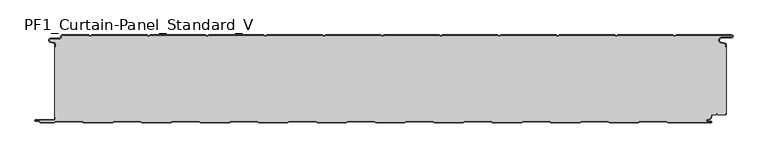
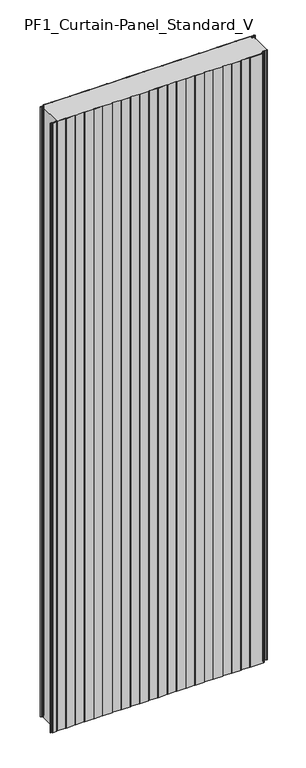
"""IFC4 building model written with IfcOpenShell, lengths in millimetres: plate geometry, PF1_Curtain-Panel_Standard_V."""

from ifc_helpers import new_model, si_unit, point, frame_2d, origin, origin_with_axes, place, context, project, spatial, polyline, circle_curve, trimmed, segment, composite_curve, outline, extrude, source, transform, mapped, element, save


def pf1_curtain_panel_standard_v_82b52420(model_context):
    return source(origin(), model_context, "Body", "SweptSolid", [
        extrude(outline(composite_curve([segment(trimmed(circle_curve(frame_2d((-577.0, -15.878557)), 2.0), [point((-575.0, -15.878557))], [point((-576.5500978, -13.9298169))], True, "CARTESIAN"), True, "CONTINUOUS"), segment(polyline([(-576.5500978, -13.9298169), (-582.7098239, -12.507732)]), True, "CONTINUOUS"), segment(trimmed(circle_curve(frame_2d((-581.9, -9.0)), 3.6), [point((-582.7098239, -12.507732))], [point((-581.9, -5.4))], False, "CARTESIAN"), True, "CONTINUOUS"), segment(polyline([(-581.9, -5.4), (-566.4, -5.4)]), True, "CONTINUOUS"), segment(trimmed(circle_curve(frame_2d((-566.4, -3.4)), 2.0), [point((-566.4, -5.4))], [point((-564.4, -3.4))], True, "CARTESIAN"), True, "CONTINUOUS"), segment(polyline([(-564.4, -3.4), (-564.4, -2.0)]), True, "CONTINUOUS"), segment(trimmed(circle_curve(frame_2d((-562.4, -2.0)), 2.0), [point((-564.4, -2.0))], [point((-562.4, 0.0))], False, "CARTESIAN"), True, "CONTINUOUS"), segment(polyline([(-562.4, 0.0), (-517.0999995, 0.0), (-514.4, -1.5588455), (-511.7000005, 0.0), (-417.0999995, 0.0), (-414.4, -1.5588455), (-411.7000005, 0.0), (-317.0999995, 0.0), (-314.4, -1.5588455), (-311.7000005, 0.0), (-217.0999995, 0.0), (-214.4, -1.5588455), (-211.7000005, 0.0), (-117.0999995, 0.0), (-114.4, -1.5588455), (-111.7000005, 0.0), (-17.0999995, 0.0), (-14.4, -1.5588455), (-11.7000005, 0.0), (82.9000005, 0.0), (85.6, -1.5588455), (88.2999995, 0.0), (182.9000005, 0.0), (185.6, -1.5588455), (188.2999995, 0.0), (282.9000005, 0.0), (285.6, -1.5588455), (288.2999995, 0.0), (382.9000005, 0.0), (385.6, -1.5588455), (388.2999995, 0.0), (482.9000005, 0.0), (485.6, -1.5588455), (488.2999995, 0.0), (583.268846, 0.0)]), True, "CONTINUOUS"), segment(trimmed(circle_curve(frame_2d((583.268846, -2.5)), 2.5), [point((583.268846, 0.0))], [point((583.268846, -5.0))], False, "CARTESIAN"), True, "CONTINUOUS"), segment(polyline([(583.268846, -5.0), (566.268846, -5.0)]), True, "CONTINUOUS"), segment(trimmed(circle_curve(frame_2d((566.268846, -9.0)), 4.0), [point((566.268846, -5.0))], [point((565.574253, -12.939231))], True, "CARTESIAN"), True, "CONTINUOUS"), segment(polyline([(565.574253, -12.939231), (572.0203315, -14.0758491)]), True, "CONTINUOUS"), segment(trimmed(circle_curve(frame_2d((571.568846, -16.6363492)), 2.6), [point((572.0203315, -14.0758491))], [point((574.168846, -16.6363492))], False, "CARTESIAN"), True, "CONTINUOUS"), segment(polyline([(574.168846, -16.6363492), (574.168846, -20.0), (573.368846, -20.0), (573.368846, -16.6363492)]), True, "CONTINUOUS"), segment(trimmed(circle_curve(frame_2d((571.568846, -16.6363492)), 1.8), [point((573.368846, -16.6363492))], [point((571.8814129, -14.8636953))], True, "CARTESIAN"), True, "CONTINUOUS"), segment(polyline([(571.8814129, -14.8636953), (565.4353344, -13.7270772)]), True, "CONTINUOUS"), segment(trimmed(circle_curve(frame_2d((566.268846, -9.0)), 4.8), [point((565.4353344, -13.7270772))], [point((566.268846, -4.2))], False, "CARTESIAN"), True, "CONTINUOUS"), segment(polyline([(566.268846, -4.2), (583.268846, -4.2)]), True, "CONTINUOUS"), segment(trimmed(circle_curve(frame_2d((583.268846, -2.5)), 1.7), [point((583.268846, -4.2))], [point((583.268846, -0.8))], True, "CARTESIAN"), True, "CONTINUOUS"), segment(polyline([(583.268846, -0.8), (488.5143588, -0.8), (485.6, -2.482606), (482.6856412, -0.8), (388.5143588, -0.8), (385.6, -2.482606), (382.6856412, -0.8), (288.5143588, -0.8), (285.6, -2.482606), (282.6856412, -0.8), (188.5143588, -0.8), (185.6, -2.482606), (182.6856412, -0.8), (88.5143588, -0.8), (85.6, -2.482606), (82.6856412, -0.8), (-11.4856412, -0.8), (-14.4, -2.482606), (-17.3143588, -0.8), (-111.4856412, -0.8), (-114.4, -2.482606), (-117.3143588, -0.8), (-211.4856412, -0.8), (-214.4, -2.482606), (-217.3143588, -0.8), (-311.4856412, -0.8), (-314.4, -2.482606), (-317.3143588, -0.8), (-411.4856412, -0.8), (-414.4, -2.482606), (-417.3143588, -0.8), (-511.4856412, -0.8), (-514.4, -2.482606), (-517.3143588, -0.8), (-562.4, -0.8)]), True, "CONTINUOUS"), segment(trimmed(circle_curve(frame_2d((-562.4, -2.0)), 1.2), [point((-562.4, -0.8))], [point((-563.6, -2.0))], True, "CARTESIAN"), True, "CONTINUOUS"), segment(polyline([(-563.6, -2.0), (-563.6, -3.4)]), True, "CONTINUOUS"), segment(trimmed(circle_curve(frame_2d((-566.4, -3.4)), 2.8), [point((-563.6, -3.4))], [point((-566.4, -6.2))], False, "CARTESIAN"), True, "CONTINUOUS"), segment(polyline([(-566.4, -6.2), (-581.9, -6.2)]), True, "CONTINUOUS"), segment(trimmed(circle_curve(frame_2d((-581.9, -9.0)), 2.8), [point((-581.9, -6.2))], [point((-582.529863, -11.7282362))], True, "CARTESIAN"), True, "CONTINUOUS"), segment(polyline([(-582.529863, -11.7282362), (-576.370137, -13.150321)]), True, "CONTINUOUS"), segment(trimmed(circle_curve(frame_2d((-577.0, -15.878557)), 2.8), [point((-576.370137, -13.150321))], [point((-574.2, -15.878557))], False, "CARTESIAN"), True, "CONTINUOUS"), segment(polyline([(-574.2, -15.878557), (-574.2, -20.0), (-575.0, -20.0), (-575.0, -15.878557)]), True, "CONTINUOUS")], self_intersect=False)), origin_with_axes(), (0.0, 0.0, 1.0), 3500.0),
        extrude(outline(composite_curve([segment(polyline([(-574.2, -140.0), (-575.0, -140.0), (-575.0, -20.0), (-574.2, -20.0), (-574.2, -15.878557)]), True, "CONTINUOUS"), segment(trimmed(circle_curve(frame_2d((-577.0, -15.878557)), 2.8), [point((-574.2, -15.878557))], [point((-576.370137, -13.1503208))], True, "CARTESIAN"), True, "CONTINUOUS"), segment(polyline([(-576.370137, -13.1503208), (-582.529863, -11.7282362)]), True, "CONTINUOUS"), segment(trimmed(circle_curve(frame_2d((-581.9, -9.0)), 2.8), [point((-582.529863, -11.7282362))], [point((-581.9, -6.2))], False, "CARTESIAN"), True, "CONTINUOUS"), segment(polyline([(-581.9, -6.2), (-566.4, -6.2)]), True, "CONTINUOUS"), segment(trimmed(circle_curve(frame_2d((-566.4, -3.4)), 2.8), [point((-566.4, -6.2))], [point((-563.6, -3.4))], True, "CARTESIAN"), True, "CONTINUOUS"), segment(polyline([(-563.6, -3.4), (-563.6, -2.0)]), True, "CONTINUOUS"), segment(trimmed(circle_curve(frame_2d((-562.4, -2.0)), 1.2), [point((-563.6, -2.0))], [point((-562.4, -0.8))], False, "CARTESIAN"), True, "CONTINUOUS"), segment(polyline([(-562.4, -0.8), (-517.3143588, -0.8), (-514.4, -2.482606), (-511.4856412, -0.8), (-417.3143588, -0.8), (-414.4, -2.482606), (-411.4856412, -0.8), (-317.3143588, -0.8), (-314.4, -2.482606), (-311.4856412, -0.8), (-217.3143588, -0.8), (-214.4, -2.482606), (-211.4856412, -0.8), (-117.3143588, -0.8), (-114.4, -2.482606), (-111.4856412, -0.8), (-17.3143588, -0.8), (-14.4, -2.482606), (-11.4856412, -0.8), (82.6856412, -0.8), (85.6, -2.482606), (88.5143588, -0.8), (182.6856412, -0.8), (185.6, -2.482606), (188.5143588, -0.8), (282.6856412, -0.8), (285.6, -2.482606), (288.5143588, -0.8), (382.6856412, -0.8), (385.6, -2.482606), (388.5143588, -0.8), (482.6856412, -0.8), (485.6, -2.482606), (488.5143588, -0.8), (583.268846, -0.8)]), True, "CONTINUOUS"), segment(trimmed(circle_curve(frame_2d((583.268846, -2.5)), 1.7), [point((583.268846, -0.8))], [point((583.268846, -4.2))], False, "CARTESIAN"), True, "CONTINUOUS"), segment(polyline([(583.268846, -4.2), (566.268846, -4.2)]), True, "CONTINUOUS"), segment(trimmed(circle_curve(frame_2d((566.268846, -9.0)), 4.8), [point((566.268846, -4.2))], [point((565.4353344, -13.7270772))], True, "CARTESIAN"), True, "CONTINUOUS"), segment(polyline([(565.4353344, -13.7270772), (571.8814129, -14.8636953)]), True, "CONTINUOUS"), segment(trimmed(circle_curve(frame_2d((571.568846, -16.6363492)), 1.8), [point((571.8814129, -14.8636953))], [point((573.368846, -16.6363492))], False, "CARTESIAN"), True, "CONTINUOUS"), segment(polyline([(573.368846, -16.6363492), (573.368846, -20.0), (574.168846, -20.0), (574.168846, -133.0), (573.368846, -133.0), (573.368846, -134.4)]), True, "CONTINUOUS"), segment(trimmed(circle_curve(frame_2d((571.568846, -134.4)), 1.8), [point((573.368846, -134.4))], [point((571.568846, -136.2))], False, "CARTESIAN"), True, "CONTINUOUS"), segment(polyline([(571.568846, -136.2), (560.0002158, -136.2), (558.168846, -134.3686285), (556.3374762, -136.2), (550.168846, -136.2)]), True, "CONTINUOUS"), segment(trimmed(circle_curve(frame_2d((550.168846, -138.0)), 1.8), [point((550.168846, -136.2))], [point((548.368846, -138.0))], True, "CARTESIAN"), True, "CONTINUOUS"), segment(polyline([(548.368846, -138.0), (548.368846, -138.8276204)]), True, "CONTINUOUS"), segment(trimmed(circle_curve(frame_2d((542.9964664, -138.8276204)), 5.3723796), [point((548.368846, -138.8276204))], [point((542.9964664, -144.2))], False, "CARTESIAN"), True, "CONTINUOUS"), segment(polyline([(542.9964664, -144.2), (542.168846, -144.2)]), True, "CONTINUOUS"), segment(trimmed(circle_curve(frame_2d((542.168846, -146.4)), 2.2), [point((542.168846, -144.2))], [point((542.168846, -148.6))], True, "CARTESIAN"), True, "CONTINUOUS"), segment(polyline([(542.168846, -148.6), (548.0579973, -148.6)]), True, "CONTINUOUS"), segment(trimmed(circle_curve(frame_2d((548.0579973, -148.9)), 0.3), [point((548.0579973, -148.6))], [point((548.0579973, -149.2))], False, "CARTESIAN"), True, "CONTINUOUS"), segment(polyline([(548.0579973, -149.2), (474.2152562, -149.2), (471.6171786, -147.7), (426.3884624, -147.7), (423.7903848, -149.2), (374.2152562, -149.2), (371.6171786, -147.7), (326.3884624, -147.7), (323.7903848, -149.2), (274.2152562, -149.2), (271.6171786, -147.7), (226.3884624, -147.7), (223.7903848, -149.2), (174.2152562, -149.2), (171.6171786, -147.7), (126.3884624, -147.7), (123.7903848, -149.2), (74.2152562, -149.2), (71.6171786, -147.7), (26.3884624, -147.7), (23.7903848, -149.2), (-25.7847438, -149.2), (-28.3828214, -147.7), (-73.6115376, -147.7), (-76.2096152, -149.2), (-125.7847438, -149.2), (-128.3828214, -147.7), (-173.6115376, -147.7), (-176.2096152, -149.2), (-225.7847438, -149.2), (-228.3828214, -147.7), (-273.6115376, -147.7), (-276.2096152, -149.2), (-325.7847438, -149.2), (-328.3828214, -147.7), (-373.6115376, -147.7), (-376.2096152, -149.2), (-425.7847438, -149.2), (-428.3828214, -147.7), (-473.6115376, -147.7), (-476.2096152, -149.2), (-525.7847438, -149.2), (-528.3828214, -147.7), (-573.6115376, -147.7), (-576.2096152, -149.2), (-599.4, -149.2)]), True, "CONTINUOUS"), segment(trimmed(circle_curve(frame_2d((-599.4, -148.4)), 0.8), [point((-599.4, -149.2))], [point((-600.2, -148.4))], False, "CARTESIAN"), True, "CONTINUOUS"), segment(trimmed(circle_curve(frame_2d((-601.9, -148.6133333)), 1.7133333), [point((-600.2, -148.4))], [point((-601.9, -146.9))], True, "CARTESIAN"), True, "CONTINUOUS"), segment(polyline([(-601.9, -146.9), (-607.8700312, -146.9)]), True, "CONTINUOUS"), segment(trimmed(circle_curve(frame_2d((-607.8700312, -146.6)), 0.3), [point((-607.8700312, -146.9))], [point((-607.8700312, -146.3))], False, "CARTESIAN"), True, "CONTINUOUS"), segment(polyline([(-607.8700312, -146.3), (-577.0, -146.3)]), True, "CONTINUOUS"), segment(trimmed(circle_curve(frame_2d((-577.0, -143.5)), 2.8), [point((-577.0, -146.3))], [point((-574.2, -143.5))], True, "CARTESIAN"), True, "CONTINUOUS"), segment(polyline([(-574.2, -143.5), (-574.2, -140.0)]), True, "CONTINUOUS")], self_intersect=False)), origin_with_axes(), (0.0, 0.0, 1.0), 3500.0),
        extrude(outline(composite_curve([segment(polyline([(-575.0, -140.0), (-574.2, -140.0), (-574.2, -143.5)]), True, "CONTINUOUS"), segment(trimmed(circle_curve(frame_2d((-577.0, -143.5)), 2.8), [point((-574.2, -143.5))], [point((-577.0, -146.3))], False, "CARTESIAN"), True, "CONTINUOUS"), segment(polyline([(-577.0, -146.3), (-607.8700312, -146.3)]), True, "CONTINUOUS"), segment(trimmed(circle_curve(frame_2d((-607.8700312, -146.6)), 0.3), [point((-607.8700312, -146.3))], [point((-607.8700312, -146.9))], True, "CARTESIAN"), True, "CONTINUOUS"), segment(polyline([(-607.8700312, -146.9), (-601.9, -146.9)]), True, "CONTINUOUS"), segment(trimmed(circle_curve(frame_2d((-601.9, -148.6133333)), 1.7133333), [point((-601.9, -146.9))], [point((-600.2, -148.4))], False, "CARTESIAN"), True, "CONTINUOUS"), segment(trimmed(circle_curve(frame_2d((-599.4, -148.4)), 0.8), [point((-600.2, -148.4))], [point((-599.4, -149.2))], True, "CARTESIAN"), True, "CONTINUOUS"), segment(polyline([(-599.4, -149.2), (-576.2096152, -149.2), (-573.6115376, -147.7), (-528.3828214, -147.7), (-525.7847438, -149.2), (-476.2096152, -149.2), (-473.6115376, -147.7), (-428.3828214, -147.7), (-425.7847438, -149.2), (-376.2096152, -149.2), (-373.6115376, -147.7), (-328.3828214, -147.7), (-325.7847438, -149.2), (-276.2096152, -149.2), (-273.6115376, -147.7), (-228.3828214, -147.7), (-225.7847438, -149.2), (-176.2096152, -149.2), (-173.6115376, -147.7), (-128.3828214, -147.7), (-125.7847438, -149.2), (-76.2096152, -149.2), (-73.6115376, -147.7), (-28.3828214, -147.7), (-25.7847438, -149.2), (23.7903848, -149.2), (26.3884624, -147.7), (71.6171786, -147.7), (74.2152562, -149.2), (123.7903848, -149.2), (126.3884624, -147.7), (171.6171786, -147.7), (174.2152562, -149.2), (223.7903848, -149.2), (226.3884624, -147.7), (271.6171786, -147.7), (274.2152562, -149.2), (323.7903848, -149.2), (326.3884624, -147.7), (371.6171786, -147.7), (374.2152562, -149.2), (423.7903848, -149.2), (426.3884624, -147.7), (471.6171786, -147.7), (474.2152562, -149.2), (548.0579973, -149.2)]), True, "CONTINUOUS"), segment(trimmed(circle_curve(frame_2d((548.0579973, -148.9)), 0.3), [point((548.0579973, -149.2))], [point((548.0579973, -148.6))], True, "CARTESIAN"), True, "CONTINUOUS"), segment(polyline([(548.0579973, -148.6), (542.168846, -148.6)]), True, "CONTINUOUS"), segment(trimmed(circle_curve(frame_2d((542.168846, -146.4)), 2.2), [point((542.168846, -148.6))], [point((542.168846, -144.2))], False, "CARTESIAN"), True, "CONTINUOUS"), segment(polyline([(542.168846, -144.2), (542.9964664, -144.2)]), True, "CONTINUOUS"), segment(trimmed(circle_curve(frame_2d((542.9964664, -138.8276204)), 5.3723796), [point((542.9964664, -144.2))], [point((548.368846, -138.8276204))], True, "CARTESIAN"), True, "CONTINUOUS"), segment(polyline([(548.368846, -138.8276204), (548.368846, -138.0)]), True, "CONTINUOUS"), segment(trimmed(circle_curve(frame_2d((550.168846, -138.0)), 1.8), [point((548.368846, -138.0))], [point((550.168846, -136.2))], False, "CARTESIAN"), True, "CONTINUOUS"), segment(polyline([(550.168846, -136.2), (556.3374762, -136.2), (558.168846, -134.3686285), (560.0002158, -136.2), (571.568846, -136.2)]), True, "CONTINUOUS"), segment(trimmed(circle_curve(frame_2d((571.568846, -134.4)), 1.8), [point((571.568846, -136.2))], [point((573.368846, -134.4))], True, "CARTESIAN"), True, "CONTINUOUS"), segment(polyline([(573.368846, -134.4), (573.368846, -133.0), (574.168846, -133.0), (574.168846, -134.4)]), True, "CONTINUOUS"), segment(trimmed(circle_curve(frame_2d((571.568846, -134.4)), 2.6), [point((574.168846, -134.4))], [point((571.568846, -137.0))], False, "CARTESIAN"), True, "CONTINUOUS"), segment(polyline([(571.568846, -137.0), (559.6688448, -137.0), (558.168846, -135.4999999), (556.6688472, -137.0), (550.168846, -137.0)]), True, "CONTINUOUS"), segment(trimmed(circle_curve(frame_2d((550.168846, -138.0)), 1.0), [point((550.168846, -137.0))], [point((549.168846, -138.0))], True, "CARTESIAN"), True, "CONTINUOUS"), segment(polyline([(549.168846, -138.0), (549.168846, -138.8276204)]), True, "CONTINUOUS"), segment(trimmed(circle_curve(frame_2d((542.9964664, -138.8276204)), 6.1723796), [point((549.168846, -138.8276204))], [point((542.9964664, -145.0))], False, "CARTESIAN"), True, "CONTINUOUS"), segment(polyline([(542.9964664, -145.0), (542.168846, -145.0)]), True, "CONTINUOUS"), segment(trimmed(circle_curve(frame_2d((542.168846, -146.5)), 1.5), [point((542.168846, -145.0))], [point((542.168846, -148.0))], True, "CARTESIAN"), True, "CONTINUOUS"), segment(polyline([(542.168846, -148.0), (548.168846, -148.0)]), True, "CONTINUOUS"), segment(trimmed(circle_curve(frame_2d((548.168846, -149.0)), 1.0), [point((548.168846, -148.0))], [point((548.168846, -150.0))], False, "CARTESIAN"), True, "CONTINUOUS"), segment(polyline([(548.168846, -150.0), (474.0008969, -150.0), (471.4028193, -148.5), (426.6028217, -148.5), (424.0047441, -150.0), (374.0008969, -150.0), (371.4028193, -148.5), (326.6028217, -148.5), (324.0047441, -150.0), (274.0008969, -150.0), (271.4028193, -148.5), (226.6028217, -148.5), (224.0047441, -150.0), (174.0008969, -150.0), (171.4028193, -148.5), (126.6028217, -148.5), (124.0047441, -150.0), (74.0008969, -150.0), (71.4028193, -148.5), (26.6028217, -148.5), (24.0047441, -150.0), (-25.9991031, -150.0), (-28.5971807, -148.5), (-73.3971783, -148.5), (-75.9952559, -150.0), (-125.9991031, -150.0), (-128.5971807, -148.5), (-173.3971783, -148.5), (-175.9952559, -150.0), (-225.9991031, -150.0), (-228.5971807, -148.5), (-273.3971783, -148.5), (-275.9952559, -150.0), (-325.9991031, -150.0), (-328.5971807, -148.5), (-373.3971783, -148.5), (-375.9952559, -150.0), (-425.9991031, -150.0), (-428.5971807, -148.5), (-473.3971783, -148.5), (-475.9952559, -150.0), (-525.9991031, -150.0), (-528.5971807, -148.5), (-573.3971783, -148.5), (-575.9952559, -150.0), (-599.4, -150.0)]), True, "CONTINUOUS"), segment(trimmed(circle_curve(frame_2d((-599.4, -148.4)), 1.6), [point((-599.4, -150.0))], [point((-601.0, -148.4))], False, "CARTESIAN"), True, "CONTINUOUS"), segment(trimmed(circle_curve(frame_2d((-601.9, -148.4)), 0.9), [point((-601.0, -148.4))], [point((-601.9, -147.5))], True, "CARTESIAN"), True, "CONTINUOUS"), segment(polyline([(-601.9, -147.5), (-608.0, -147.5)]), True, "CONTINUOUS"), segment(trimmed(circle_curve(frame_2d((-608.0, -146.5)), 1.0), [point((-608.0, -147.5))], [point((-608.0, -145.5))], False, "CARTESIAN"), True, "CONTINUOUS"), segment(polyline([(-608.0, -145.5), (-577.0, -145.5)]), True, "CONTINUOUS"), segment(trimmed(circle_curve(frame_2d((-577.0, -143.5)), 2.0), [point((-577.0, -145.5))], [point((-575.0, -143.5))], True, "CARTESIAN"), True, "CONTINUOUS"), segment(polyline([(-575.0, -143.5), (-575.0, -140.0)]), True, "CONTINUOUS")], self_intersect=False)), origin_with_axes(), (0.0, 0.0, 1.0), 3500.0),
    ])


if __name__ == "__main__":
    model = new_model("IFC4")
    model_context = context("Model", 3, world=origin())
    ifc_project = project(units=[si_unit("LENGTHUNIT", "METRE", prefix="MILLI")], contexts=[model_context])
    site = spatial("IfcSite", under=ifc_project)
    building = spatial("IfcBuilding", under=site)
    placement = place(None, origin())
    pf1_curtain_panel_standard_v_shape = pf1_curtain_panel_standard_v_82b52420(model_context)
    element("IfcPlate", 1, ObjectType="PF1_Curtain-Panel_Standard_V", at=placement, inside=building, context=model_context, shape_type="MappedRepresentation", body=[
        mapped(pf1_curtain_panel_standard_v_shape, transform((0.0, 0.0, 0.0), x_axis=(1.0, 0.0, 0.0), y_axis=(0.0, 1.0, 0.0), z_axis=(0.0, 0.0, 1.0))),
    ])
    save(model, "model.ifc")
